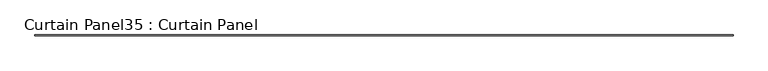
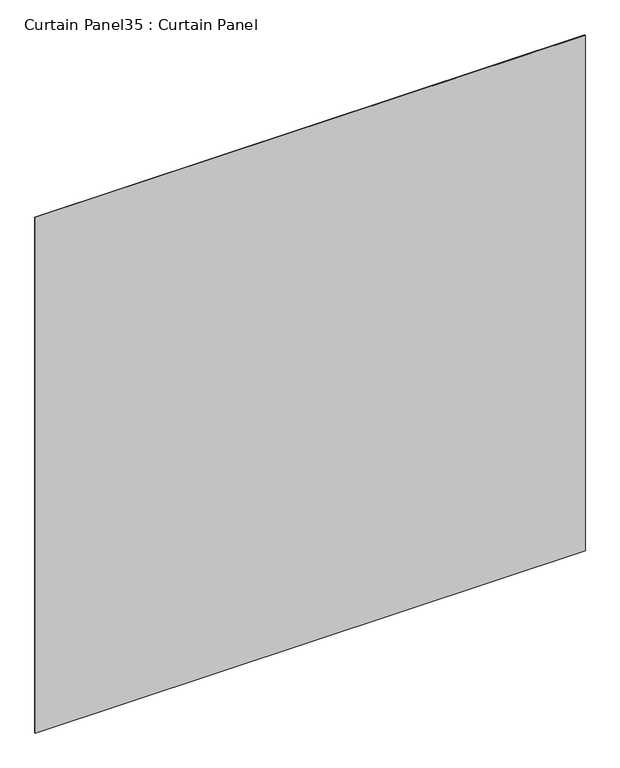
"""IFC4 building model written with IfcOpenShell, lengths in millimetres: plate geometry, Curtain Panel35 : Curtain Panel."""

from ifc_helpers import new_model, si_unit, frame, origin, place, context, project, spatial, polyline, outline, extrude, source, transform, mapped, element, save


def curtain_panel35_curtain_panel_46f58d58(model_context):
    return source(origin(), model_context, "Body", "SweptSolid", [
        extrude(outline(polyline([(522961.2217945, 2929.2807893), (516903.3217945, 2929.2807893), (516903.3217945, 2935.6307893), (522961.2217945, 2935.6307893), (522961.2217945, 2929.2807893)])), frame((0.0, 0.0, 11351.416886), z_axis=(0.0, 0.0, 1.0), x_axis=(1.0, 0.0, 0.0)), (0.0, 0.0, 1.0), 6000.75),
    ])


if __name__ == "__main__":
    model = new_model("IFC4")
    model_context = context("Model", 3, world=origin())
    ifc_project = project(units=[si_unit("LENGTHUNIT", "METRE", prefix="MILLI")], contexts=[model_context])
    site = spatial("IfcSite", under=ifc_project)
    building = spatial("IfcBuilding", under=site)
    placement = place(None, origin())
    curtain_panel35_curtain_panel_shape = curtain_panel35_curtain_panel_46f58d58(model_context)
    element("IfcPlate", 1, ObjectType="Curtain Panel35 : Curtain Panel", at=placement, inside=building, context=model_context, shape_type="MappedRepresentation", body=[
        mapped(curtain_panel35_curtain_panel_shape, transform((0.0, 0.0, 0.0), x_axis=(1.0, 0.0, 0.0), y_axis=(0.0, 1.0, 0.0), z_axis=(0.0, 0.0, 1.0))),
    ])
    save(model, "model.ifc")
